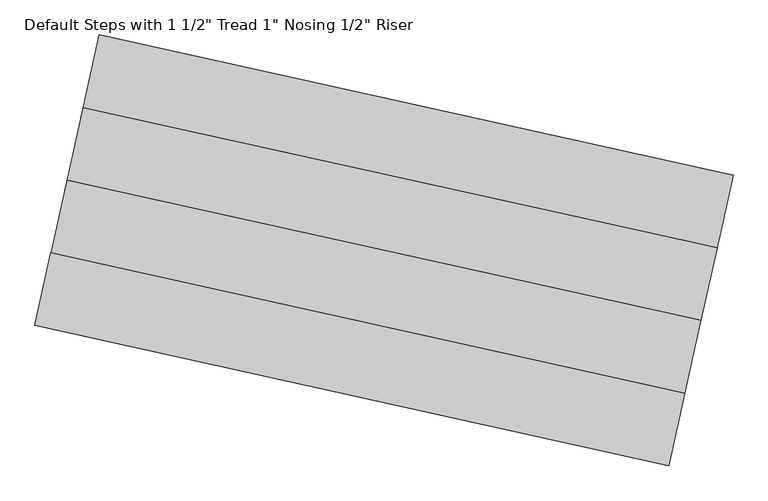
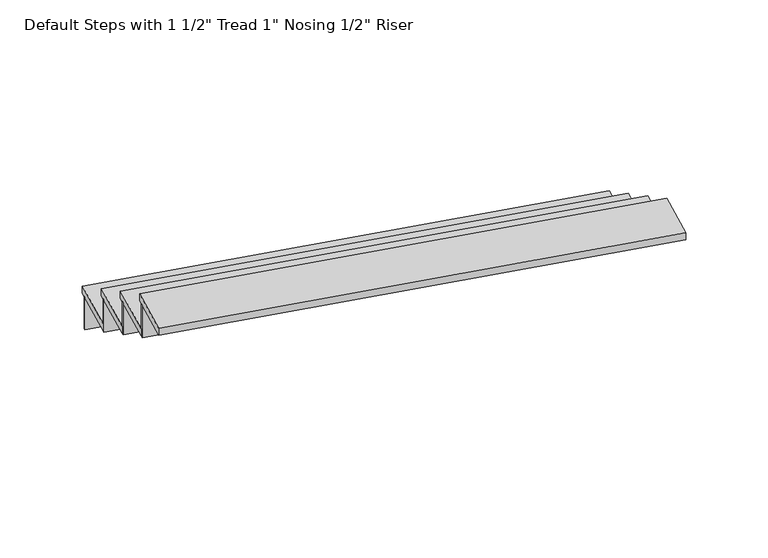
"""IFC4 building model written with IfcOpenShell, lengths in millimetres: stair flight geometry."""

import ifcopenshell
import ifcopenshell.guid

model = None  # the IFC model being written
_history = None  # IfcOwnerHistory: only IFC2X3 demands one
_inside = {}  # id of a spatial element -> (the spatial element, [elements in it])
_under = {}  # id of a project, library or spatial element -> (it, [spatial elements below it])
_declared = {}  # id of a project -> (the project, [libraries it declares])
_typed = {}  # id of a type object -> (the type object, [elements of that type])
_made_of = {}  # id of a material, layer set ... -> (it, [elements and type objects made of it])


def new_model(schema):
    """Start an empty IFC model of exactly this schema.

    Asked for "IFC4X3", IfcOpenShell would pick the latest addendum, in which some entities
    have other attributes; the version numbers below select the first issue.
    IFC2X3 requires an IfcOwnerHistory on every rooted entity: one is made here for all.
    """
    global model, _history
    if schema == "IFC4X3":
        model = ifcopenshell.file(schema_version=(4, 3, 0, 0))
    else:
        model = ifcopenshell.file(schema=schema)
    _inside.clear()
    _under.clear()
    _declared.clear()
    _typed.clear()
    _made_of.clear()
    _history = None
    if model.schema == "IFC2X3":
        org = make("IfcOrganization", Name="unknown")
        user = make(
            "IfcPersonAndOrganization",
            ThePerson=make("IfcPerson", FamilyName="unknown"),
            TheOrganization=org,
        )
        app = make(
            "IfcApplication",
            ApplicationDeveloper=org,
            Version="unknown",
            ApplicationFullName="unknown",
            ApplicationIdentifier="unknown",
        )
        _history = make(
            "IfcOwnerHistory",
            OwningUser=user,
            OwningApplication=app,
            ChangeAction="ADDED",
            CreationDate=0,
        )
    return model


def make(cls, **values):
    """One entity of the class cls with the attributes given. An attribute that is None is left unset."""
    return model.create_entity(
        cls, **{name: value for name, value in values.items() if value is not None}
    )


def rooted(cls, **values):
    """An entity with a GlobalId (a new one), such as an element, a storey or a relation."""
    return make(cls, GlobalId=ifcopenshell.guid.new(), OwnerHistory=_history, **values)


def si_unit(unit_type, name, prefix=None):
    """IfcSIUnit, for example si_unit("LENGTHUNIT", "METRE", prefix="MILLI")."""
    return make("IfcSIUnit", UnitType=unit_type, Prefix=prefix, Name=name)


def assignment(units):
    """IfcUnitAssignment: the units of a project."""
    return None if units is None else make("IfcUnitAssignment", Units=units)


def point(xyz):
    """IfcCartesianPoint."""
    return None if xyz is None else make("IfcCartesianPoint", Coordinates=xyz)


def direction(xyz):
    """IfcDirection."""
    return None if xyz is None else make("IfcDirection", DirectionRatios=xyz)


def frame(location, z_axis=None, x_axis=None):
    """IfcAxis2Placement3D, a coordinate frame: its origin and axes. An axis left out is left unset."""
    return make(
        "IfcAxis2Placement3D",
        Location=point(location),
        Axis=direction(z_axis),
        RefDirection=direction(x_axis),
    )


def origin():
    """The frame at (0, 0, 0) with its axes left unset."""
    return frame((0.0, 0.0, 0.0))


def place(relative_to, where):
    """IfcLocalPlacement: puts the frame where relative to a parent placement (None: the world)."""
    return make(
        "IfcLocalPlacement", PlacementRelTo=relative_to, RelativePlacement=where
    )


def context(
    kind, dimensions, precision=None, world=None, true_north=None, identifier=None
):
    """IfcGeometricRepresentationContext, for example the 3D "Model" context."""
    return make(
        "IfcGeometricRepresentationContext",
        ContextIdentifier=identifier,
        ContextType=kind,
        CoordinateSpaceDimension=dimensions,
        Precision=precision,
        WorldCoordinateSystem=world,
        TrueNorth=true_north,
    )


def project(units=None, contexts=None):
    """IfcProject with its units and contexts."""
    return rooted(
        "IfcProject",
        Name="project",
        RepresentationContexts=contexts,
        UnitsInContext=assignment(units),
    )


def spatial(cls, under=None, at=None, **own):
    """A site, building, storey or space (cls), placed at a placement, below another one or the project."""
    s = rooted(cls, ObjectPlacement=at, **own)
    if under is not None:
        _under.setdefault(under.id(), (under, []))[1].append(s)
    return s


def polyline(points):
    """IfcPolyline through the points."""
    return make("IfcPolyline", Points=[point(p) for p in points])


def outline(outer, holes=None, kind="AREA"):
    """IfcArbitraryClosedProfileDef: a profile drawn as a closed curve; with holes, ...WithVoids."""
    if holes is None:
        return make("IfcArbitraryClosedProfileDef", ProfileType=kind, OuterCurve=outer)
    return make(
        "IfcArbitraryProfileDefWithVoids",
        ProfileType=kind,
        OuterCurve=outer,
        InnerCurves=holes,
    )


def extrude(swept, where, along, depth):
    """IfcExtrudedAreaSolid: the profile swept, set in the frame where, extruded along a direction by depth."""
    return make(
        "IfcExtrudedAreaSolid",
        SweptArea=swept,
        Position=where,
        ExtrudedDirection=direction(along),
        Depth=depth,
    )


def shape(context_of_items, identifier, shape_type, items):
    """IfcShapeRepresentation: the items that make up one representation, for example the "Body"."""
    return make(
        "IfcShapeRepresentation",
        ContextOfItems=context_of_items,
        RepresentationIdentifier=identifier,
        RepresentationType=shape_type,
        Items=items,
    )


def source(mapping_origin, context_of_items, identifier, shape_type, items):
    """IfcRepresentationMap: a shape defined once, which mapped items show again and again."""
    return make(
        "IfcRepresentationMap",
        MappingOrigin=mapping_origin,
        MappedRepresentation=shape(context_of_items, identifier, shape_type, items),
    )


def transform(
    local_origin,
    x_axis=None,
    y_axis=None,
    z_axis=None,
    scale=None,
    scale2=None,
    scale3=None,
    uniform=True,
):
    """IfcCartesianTransformationOperator3D, or its non-uniform kind. x_axis, y_axis, z_axis: its Axis1, 2, 3."""
    if uniform:
        return make(
            "IfcCartesianTransformationOperator3D",
            Axis1=direction(x_axis),
            Axis2=direction(y_axis),
            LocalOrigin=point(local_origin),
            Scale=scale,
            Axis3=direction(z_axis),
        )
    return make(
        "IfcCartesianTransformationOperator3DnonUniform",
        Axis1=direction(x_axis),
        Axis2=direction(y_axis),
        LocalOrigin=point(local_origin),
        Scale=scale,
        Axis3=direction(z_axis),
        Scale2=scale2,
        Scale3=scale3,
    )


def mapped(mapping_source, mapping_target):
    """IfcMappedItem: shows the shape of a source again, moved by a transform."""
    return make(
        "IfcMappedItem", MappingSource=mapping_source, MappingTarget=mapping_target
    )


def made_of(thing, what):
    """Note that an element or type object is made of a material, layer set ...; save() writes the relation."""
    if what is not None:
        _made_of.setdefault(what.id(), (what, []))[1].append(thing)
    return thing


def element(
    cls,
    number,
    at=None,
    inside=None,
    cuts=None,
    type_object=None,
    material=None,
    context=None,
    identifier="Body",
    shape_type=None,
    held_by="IfcProductDefinitionShape",
    body=None,
    shapes=None,
    **own,
):
    """One element of the class cls, such as IfcWall. Its Tag is "e" and its number.

    at: its placement. inside: the storey or other place that contains it. cuts: it is an
    opening in that element (IfcRelVoidsElement). A single representation is given by context,
    identifier, shape_type and body (its items); several are given by shapes. held_by: the class
    of the entity that holds the representations. save() writes the other relations.
    """
    e = rooted(cls, Tag="e%d" % number, ObjectPlacement=at, **own)
    if body is not None:
        shapes = [shape(context, identifier, shape_type, body)]
    if shapes is not None:
        e.Representation = make(held_by, Representations=shapes)
    if inside is not None:
        _inside.setdefault(inside.id(), (inside, []))[1].append(e)
    if cuts is not None:
        rooted(
            "IfcRelVoidsElement", RelatingBuildingElement=cuts, RelatedOpeningElement=e
        )
    if type_object is not None:
        _typed.setdefault(type_object.id(), (type_object, []))[1].append(e)
    return made_of(e, material)


def aggregate(whole, parts):
    """IfcRelAggregates: a whole, such as a stair, and the parts it consists of."""
    return rooted("IfcRelAggregates", RelatingObject=whole, RelatedObjects=parts)


def save(model, path):
    """Write the relations noted so far, then the file.

    IfcRelAggregates (storeys below a building ...), IfcRelContainedInSpatialStructure (elements
    in a storey), IfcRelDefinesByType, IfcRelAssociatesMaterial and IfcRelDeclares: one each for
    every whole, place, type object, material and project.
    """
    for whole, parts in _under.values():
        aggregate(whole, parts)
    for where, things in _inside.values():
        rooted(
            "IfcRelContainedInSpatialStructure",
            RelatedElements=things,
            RelatingStructure=where,
        )
    for kind, things in _typed.values():
        rooted("IfcRelDefinesByType", RelatedObjects=things, RelatingType=kind)
    for what, things in _made_of.values():
        rooted("IfcRelAssociatesMaterial", RelatedObjects=things, RelatingMaterial=what)
    for by, libraries in _declared.values():
        rooted("IfcRelDeclares", RelatingContext=by, RelatedDefinitions=libraries)
    model.write(path)


def stair_flight_2f7a8463(model_context):
    return source(origin(), model_context, "Body", "SweptSolid", [
        extrude(outline(polyline([(-118071.424894, 81023.1978415), (-118068.6804391, 81035.5977596), (-115687.8961752, 80508.6624233), (-115690.6406301, 80496.2625053), (-118071.424894, 81023.1978415)])), frame((0.0, 0.0, 3766.0384615), z_axis=(0.0, 0.0, 1.0), x_axis=(1.0, 0.0, 0.0)), (0.0, 0.0, 1.0), 172.9153846),
        extrude(outline(polyline([(-115748.2741825, 80235.8642264), (-118129.0584464, 80762.7995627), (-118063.1915294, 81060.3975956), (-115682.4072654, 80533.4622594), (-115748.2741825, 80235.8642264)])), frame((0.0, 0.0, 3938.9538462), z_axis=(0.0, 0.0, 1.0), x_axis=(1.0, 0.0, 0.0)), (0.0, 0.0, 1.0), 38.1),
        extrude(outline(polyline([(-118131.8029013, 80750.3996446), (-118129.0584464, 80762.7995627), (-115748.2741825, 80235.8642264), (-115751.0186373, 80223.4643083), (-118131.8029013, 80750.3996446)])), frame((0.0, 0.0, 3938.9538462), z_axis=(0.0, 0.0, 1.0), x_axis=(1.0, 0.0, 0.0)), (0.0, 0.0, 1.0), 172.9153846),
        extrude(outline(polyline([(-115808.6521897, 79963.0660295), (-118189.4364537, 80490.0013657), (-118123.5695366, 80787.5993987), (-115742.7852727, 80260.6640625), (-115808.6521897, 79963.0660295)])), frame((0.0, 0.0, 4111.8692308), z_axis=(0.0, 0.0, 1.0), x_axis=(1.0, 0.0, 0.0)), (0.0, 0.0, 1.0), 38.1),
        extrude(outline(polyline([(-118192.1809085, 80477.6014477), (-118189.4364537, 80490.0013657), (-115808.6521897, 79963.0660295), (-115811.3966446, 79950.6661114), (-118192.1809085, 80477.6014477)])), frame((0.0, 0.0, 4111.8692308), z_axis=(0.0, 0.0, 1.0), x_axis=(1.0, 0.0, 0.0)), (0.0, 0.0, 1.0), 172.9153846),
        extrude(outline(polyline([(-115869.030197, 79690.2678326), (-118249.814461, 80217.2031688), (-118183.9475439, 80514.8012018), (-115803.16328, 79987.8658656), (-115869.030197, 79690.2678326)])), frame((0.0, 0.0, 4284.7846154), z_axis=(0.0, 0.0, 1.0), x_axis=(1.0, 0.0, 0.0)), (0.0, 0.0, 1.0), 38.1),
        extrude(outline(polyline([(-118252.5589158, 80204.8032508), (-118249.814461, 80217.2031688), (-115869.030197, 79690.2678326), (-115871.7746519, 79677.8679145), (-118252.5589158, 80204.8032508)])), frame((0.0, 0.0, 4284.7846154), z_axis=(0.0, 0.0, 1.0), x_axis=(1.0, 0.0, 0.0)), (0.0, 0.0, 1.0), 172.9153846),
        extrude(outline(polyline([(-115923.9192945, 79442.2694717), (-118304.7035585, 79969.204808), (-118244.3255512, 80242.0030049), (-115863.5412873, 79715.0676687), (-115923.9192945, 79442.2694717)])), frame((0.0, 0.0, 4457.7), z_axis=(0.0, 0.0, 1.0), x_axis=(1.0, 0.0, 0.0)), (0.0, 0.0, 1.0), 38.1),
    ])


if __name__ == "__main__":
    model = new_model("IFC4")
    model_context = context("Model", 3, world=origin())
    ifc_project = project(units=[si_unit("LENGTHUNIT", "METRE", prefix="MILLI")], contexts=[model_context])
    site = spatial("IfcSite", under=ifc_project)
    building = spatial("IfcBuilding", under=site)
    placement = place(None, origin())
    stair_flight_shape = stair_flight_2f7a8463(model_context)
    element("IfcStairFlight", 1, ObjectType="Default Steps with 1 1/2\" Tread 1\" Nosing 1/2\" Riser", at=placement, inside=building, context=model_context, shape_type="MappedRepresentation", body=[
        mapped(stair_flight_shape, transform((0.0, 0.0, 0.0), x_axis=(1.0, 0.0, 0.0), y_axis=(0.0, 1.0, 0.0), z_axis=(0.0, 0.0, 1.0))),
    ])
    save(model, "model.ifc")
